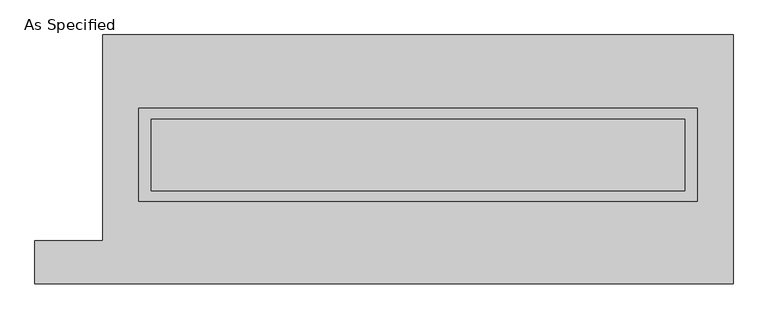
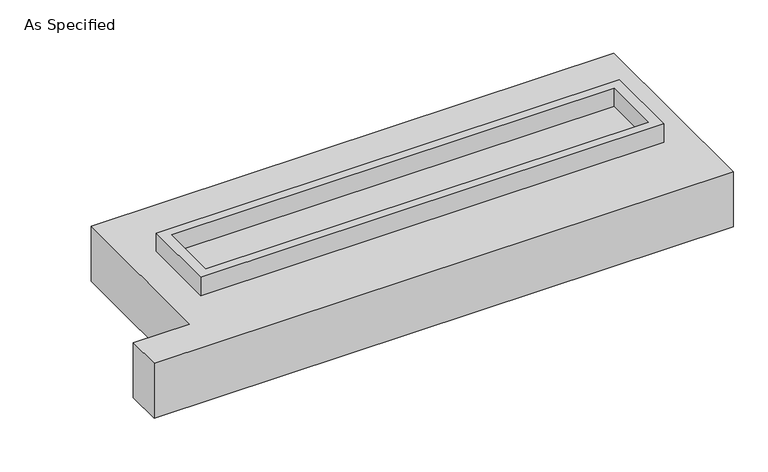
"""IFC4 building model written with IfcOpenShell, lengths in millimetres: proxy geometry, As Specified."""

from ifc_helpers import new_model, si_unit, frame, origin, place, context, project, spatial, polyline, outline, extrude, source, transform, mapped, element, save


def as_specified_2e220355(model_context):
    return source(origin(), model_context, "Body", "SweptSolid", [
        extrude(outline(polyline([(1981.2, 361.95), (1981.2, -298.45), (-1981.2, -298.45), (-1981.2, 361.95), (1981.2, 361.95)]), holes=[polyline([(1892.3, 285.75), (-1892.3, 285.75), (-1892.3, -222.25), (1892.3, -222.25), (1892.3, 285.75)])]), frame((0.0, 0.0, -688.975), z_axis=(0.0, 0.0, 1.0), x_axis=(1.0, 0.0, 0.0)), (0.0, 0.0, 1.0), 165.1),
        extrude(outline(polyline([(1981.2, 361.95), (1981.2, -298.45), (-1981.2, -298.45), (-1981.2, 361.95), (1981.2, 361.95)]), holes=[polyline([(1892.3, 285.75), (-1892.3, 285.75), (-1892.3, -222.25), (1892.3, -222.25), (1892.3, 285.75)])]), frame((0.0, 0.0, -25.4), z_axis=(0.0, 0.0, 1.0), x_axis=(1.0, 0.0, 0.0)), (0.0, 0.0, 1.0), 165.1),
        extrude(outline(polyline([(1892.3, 285.75), (1892.3, -222.25), (-1892.3, -222.25), (-1892.3, 285.75), (1892.3, 285.75)])), frame((0.0, 0.0, -523.875), z_axis=(0.0, 0.0, 1.0), x_axis=(1.0, 0.0, 0.0)), (0.0, 0.0, 1.0), 4.9609375),
        extrude(outline(polyline([(1892.3, 285.75), (1892.3, -222.25), (-1892.3, -222.25), (-1892.3, 285.75), (1892.3, 285.75)])), frame((0.0, 0.0, -30.3609375), z_axis=(0.0, 0.0, 1.0), x_axis=(1.0, 0.0, 0.0)), (0.0, 0.0, 1.0), 4.9609375),
        extrude(outline(polyline([(-2235.2, 882.65), (2235.2, 882.65), (2235.2, -882.65), (-2717.8, -882.65), (-2717.8, -577.85), (-2235.2, -577.85), (-2235.2, 882.65)]), holes=[polyline([(-1981.2, 361.95), (-1981.2, -298.45), (1981.2, -298.45), (1981.2, 361.95), (-1981.2, 361.95)])]), frame((0.0, 0.0, -523.875), z_axis=(0.0, 0.0, 1.0), x_axis=(1.0, 0.0, 0.0)), (0.0, 0.0, 1.0), 498.475),
    ])


if __name__ == "__main__":
    model = new_model("IFC4")
    model_context = context("Model", 3, world=origin())
    ifc_project = project(units=[si_unit("LENGTHUNIT", "METRE", prefix="MILLI")], contexts=[model_context])
    site = spatial("IfcSite", under=ifc_project)
    building = spatial("IfcBuilding", under=site)
    placement = place(None, origin())
    as_specified_shape = as_specified_2e220355(model_context)
    element("IfcBuildingElementProxy", 1, Name="As Specified", ObjectType="As Specified", at=placement, inside=building, context=model_context, shape_type="MappedRepresentation", body=[
        mapped(as_specified_shape, transform((0.0, 0.0, 0.0), x_axis=(1.0, 0.0, 0.0), y_axis=(0.0, 1.0, 0.0), z_axis=(0.0, 0.0, 1.0))),
    ])
    save(model, "model.ifc")
